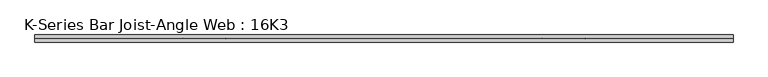
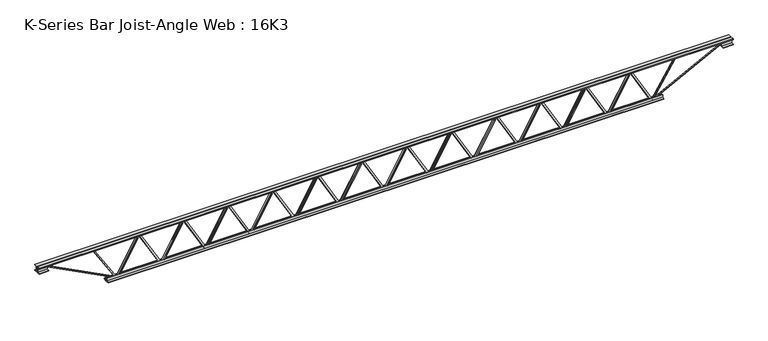
"""IFC4 building model written with IfcOpenShell, lengths in millimetres: beam geometry, K-Series Bar Joist-Angle Web : 16K3."""

from ifc_helpers import new_model, si_unit, frame, origin, place, context, project, spatial, polyline, outline, extrude, faceted_brep, source, transform, mapped, element, save


def k_series_bar_joist_angle_web_16k3_fcc0b7f4(model_context):
    return source(origin(), model_context, "Body", "SolidModel", [
        extrude(outline(polyline([(-4.7625, 4.7625), (-4.7625, 0.0), (-17.4625, 0.0), (-17.4625, 4.7625), (-4.7625, 4.7625)])), frame((2266.1208396, 0.0, -165.1), z_axis=(-0.49506641513290334, 0.0, 0.8688551344196891), x_axis=(0.0, -1.0, 0.0)), (0.0, 0.0, 1.0), 380.0403392),
        extrude(outline(polyline([(-200.025, 2297.90625), (-180.975, 2297.90625), (-180.975, 2297.0916865), (200.025, 2080.0010615), (200.025, 2061.765625), (180.975, 2061.765625), (180.975, 2068.9301885), (-200.025, 2286.0208135), (-200.025, 2297.90625)])), frame((0.0, 0.0, 0.0), z_axis=(0.0, 1.0, 0.0), x_axis=(0.0, 0.0, 1.0)), (0.0, 0.0, 1.0), 4.7625),
        faceted_brep([(1838.325, 0.0, -180.975), (1838.325, 0.0, -200.025), (1838.325, -4.7625, -200.025), (1838.325, -4.7625, -180.975), (1839.1395635, 0.0, -180.975), (2056.2301885, 0.0, 200.025), (2074.465625, 0.0, 200.025), (2074.465625, 0.0, 180.975), (2067.3010615, 0.0, 180.975), (1850.2104365, 0.0, -200.025), (1850.2104365, -4.7625, -200.025), (1870.1104104, -4.7625, -165.1), (1865.9724878, -4.7625, -162.7422462), (2054.1176962, -4.7625, 167.4577538), (2058.2556188, -4.7625, 165.1), (2067.3010615, -4.7625, 180.975), (2074.465625, -4.7625, 180.975), (2074.465625, -4.7625, 200.025), (2056.2301885, -4.7625, 200.025), (1839.1395635, -4.7625, -180.975), (2058.2556188, -17.4625, 165.1), (1870.1104104, -17.4625, -165.1), (1865.9724878, -17.4625, -162.7422462), (2054.1176962, -17.4625, 167.4577538)], [[[0, 1, 2, 3]], [[1, 0, 4, 5, 6, 7, 8, 9]], [[2, 1, 9, 10]], [[3, 2, 10, 11, 12, 13, 14, 15, 16, 17, 18, 19]], [[0, 3, 19, 4]], [[9, 8, 15, 14, 20, 21, 11, 10]], [[5, 4, 19, 18]], [[7, 6, 17, 16]], [[8, 7, 16, 15]], [[6, 5, 18, 17]], [[21, 22, 12, 11]], [[20, 14, 13, 23]], [[22, 21, 20, 23]], [[12, 22, 23, 13]]]),
        extrude(outline(polyline([(-4.7625, 4.7625), (-4.7625, 0.0), (-17.4625, 0.0), (-17.4625, 4.7625), (-4.7625, 4.7625)])), frame((1806.5395896, 0.0, -165.1), z_axis=(-0.49506641513290334, 0.0, 0.8688551344196891), x_axis=(0.0, -1.0, 0.0)), (0.0, 0.0, 1.0), 380.0403392),
        extrude(outline(polyline([(-200.025, 1838.325), (-180.975, 1838.325), (-180.975, 1837.5104365), (200.025, 1620.4198115), (200.025, 1602.184375), (180.975, 1602.184375), (180.975, 1609.3489385), (-200.025, 1826.4395635), (-200.025, 1838.325)])), frame((0.0, 0.0, 0.0), z_axis=(0.0, 1.0, 0.0), x_axis=(0.0, 0.0, 1.0)), (0.0, 0.0, 1.0), 4.7625),
        faceted_brep([(1378.74375, 0.0, -180.975), (1378.74375, 0.0, -200.025), (1378.74375, -4.7625, -200.025), (1378.74375, -4.7625, -180.975), (1379.5583135, 0.0, -180.975), (1596.6489385, 0.0, 200.025), (1614.884375, 0.0, 200.025), (1614.884375, 0.0, 180.975), (1607.7198115, 0.0, 180.975), (1390.6291865, 0.0, -200.025), (1390.6291865, -4.7625, -200.025), (1410.5291604, -4.7625, -165.1), (1406.3912378, -4.7625, -162.7422462), (1594.5364462, -4.7625, 167.4577538), (1598.6743688, -4.7625, 165.1), (1607.7198115, -4.7625, 180.975), (1614.884375, -4.7625, 180.975), (1614.884375, -4.7625, 200.025), (1596.6489385, -4.7625, 200.025), (1379.5583135, -4.7625, -180.975), (1598.6743688, -17.4625, 165.1), (1410.5291604, -17.4625, -165.1), (1406.3912378, -17.4625, -162.7422462), (1594.5364462, -17.4625, 167.4577538)], [[[0, 1, 2, 3]], [[1, 0, 4, 5, 6, 7, 8, 9]], [[2, 1, 9, 10]], [[3, 2, 10, 11, 12, 13, 14, 15, 16, 17, 18, 19]], [[0, 3, 19, 4]], [[9, 8, 15, 14, 20, 21, 11, 10]], [[5, 4, 19, 18]], [[7, 6, 17, 16]], [[8, 7, 16, 15]], [[6, 5, 18, 17]], [[21, 22, 12, 11]], [[20, 14, 13, 23]], [[22, 21, 20, 23]], [[12, 22, 23, 13]]]),
        extrude(outline(polyline([(-4.7625, 4.7625), (-4.7625, 0.0), (-17.4625, 0.0), (-17.4625, 4.7625), (-4.7625, 4.7625)])), frame((1346.9583396, 0.0, -165.1), z_axis=(-0.49506641513290334, 0.0, 0.8688551344196891), x_axis=(0.0, -1.0, 0.0)), (0.0, 0.0, 1.0), 380.0403392),
        extrude(outline(polyline([(-200.025, 1378.74375), (-180.975, 1378.74375), (-180.975, 1377.9291865), (200.025, 1160.8385615), (200.025, 1142.603125), (180.975, 1142.603125), (180.975, 1149.7676885), (-200.025, 1366.8583135), (-200.025, 1378.74375)])), frame((0.0, 0.0, 0.0), z_axis=(0.0, 1.0, 0.0), x_axis=(0.0, 0.0, 1.0)), (0.0, 0.0, 1.0), 4.7625),
        faceted_brep([(919.1625, 0.0, -180.975), (919.1625, 0.0, -200.025), (919.1625, -4.7625, -200.025), (919.1625, -4.7625, -180.975), (919.9770635, 0.0, -180.975), (1137.0676885, 0.0, 200.025), (1155.303125, 0.0, 200.025), (1155.303125, 0.0, 180.975), (1148.1385615, 0.0, 180.975), (931.0479365, 0.0, -200.025), (931.0479365, -4.7625, -200.025), (950.9479104, -4.7625, -165.1), (946.8099878, -4.7625, -162.7422462), (1134.9551962, -4.7625, 167.4577538), (1139.0931188, -4.7625, 165.1), (1148.1385615, -4.7625, 180.975), (1155.303125, -4.7625, 180.975), (1155.303125, -4.7625, 200.025), (1137.0676885, -4.7625, 200.025), (919.9770635, -4.7625, -180.975), (1139.0931188, -17.4625, 165.1), (950.9479104, -17.4625, -165.1), (946.8099878, -17.4625, -162.7422462), (1134.9551962, -17.4625, 167.4577538)], [[[0, 1, 2, 3]], [[1, 0, 4, 5, 6, 7, 8, 9]], [[2, 1, 9, 10]], [[3, 2, 10, 11, 12, 13, 14, 15, 16, 17, 18, 19]], [[0, 3, 19, 4]], [[9, 8, 15, 14, 20, 21, 11, 10]], [[5, 4, 19, 18]], [[7, 6, 17, 16]], [[8, 7, 16, 15]], [[6, 5, 18, 17]], [[21, 22, 12, 11]], [[20, 14, 13, 23]], [[22, 21, 20, 23]], [[12, 22, 23, 13]]]),
        extrude(outline(polyline([(-4.7625, 4.7625), (-4.7625, 0.0), (-17.4625, 0.0), (-17.4625, 4.7625), (-4.7625, 4.7625)])), frame((887.3770896, 0.0, -165.1), z_axis=(-0.49506641513290334, 0.0, 0.8688551344196891), x_axis=(0.0, -1.0, 0.0)), (0.0, 0.0, 1.0), 380.0403392),
        extrude(outline(polyline([(-200.025, 919.1625), (-180.975, 919.1625), (-180.975, 918.3479365), (200.025, 701.2573115), (200.025, 683.021875), (180.975, 683.021875), (180.975, 690.1864385), (-200.025, 907.2770635), (-200.025, 919.1625)])), frame((0.0, 0.0, 0.0), z_axis=(0.0, 1.0, 0.0), x_axis=(0.0, 0.0, 1.0)), (0.0, 0.0, 1.0), 4.7625),
        faceted_brep([(459.58125, 0.0, -180.975), (459.58125, 0.0, -200.025), (459.58125, -4.7625, -200.025), (459.58125, -4.7625, -180.975), (460.3958135, 0.0, -180.975), (677.4864385, 0.0, 200.025), (695.721875, 0.0, 200.025), (695.721875, 0.0, 180.975), (688.5573115, 0.0, 180.975), (471.4666865, 0.0, -200.025), (471.4666865, -4.7625, -200.025), (491.3666604, -4.7625, -165.1), (487.2287378, -4.7625, -162.7422462), (675.3739462, -4.7625, 167.4577538), (679.5118688, -4.7625, 165.1), (688.5573115, -4.7625, 180.975), (695.721875, -4.7625, 180.975), (695.721875, -4.7625, 200.025), (677.4864385, -4.7625, 200.025), (460.3958135, -4.7625, -180.975), (679.5118688, -17.4625, 165.1), (491.3666604, -17.4625, -165.1), (487.2287378, -17.4625, -162.7422462), (675.3739462, -17.4625, 167.4577538)], [[[0, 1, 2, 3]], [[1, 0, 4, 5, 6, 7, 8, 9]], [[2, 1, 9, 10]], [[3, 2, 10, 11, 12, 13, 14, 15, 16, 17, 18, 19]], [[0, 3, 19, 4]], [[9, 8, 15, 14, 20, 21, 11, 10]], [[5, 4, 19, 18]], [[7, 6, 17, 16]], [[8, 7, 16, 15]], [[6, 5, 18, 17]], [[21, 22, 12, 11]], [[20, 14, 13, 23]], [[22, 21, 20, 23]], [[12, 22, 23, 13]]]),
        extrude(outline(polyline([(-4.7625, 4.7625), (-4.7625, 0.0), (-17.4625, 0.0), (-17.4625, 4.7625), (-4.7625, 4.7625)])), frame((427.7958396, 0.0, -165.1), z_axis=(-0.49506641513290334, 0.0, 0.8688551344196891), x_axis=(0.0, -1.0, 0.0)), (0.0, 0.0, 1.0), 380.0403392),
        extrude(outline(polyline([(-200.025, 459.58125), (-180.975, 459.58125), (-180.975, 458.7666865), (200.025, 241.6760615), (200.025, 223.440625), (180.975, 223.440625), (180.975, 230.6051885), (-200.025, 447.6958135), (-200.025, 459.58125)])), frame((0.0, 0.0, 0.0), z_axis=(0.0, 1.0, 0.0), x_axis=(0.0, 0.0, 1.0)), (0.0, 0.0, 1.0), 4.7625),
        faceted_brep([(0.0, 0.0, -180.975), (0.0, 0.0, -200.025), (0.0, -4.7625, -200.025), (0.0, -4.7625, -180.975), (0.8145635, 0.0, -180.975), (217.9051885, 0.0, 200.025), (236.140625, 0.0, 200.025), (236.140625, 0.0, 180.975), (228.9760615, 0.0, 180.975), (11.8854365, 0.0, -200.025), (11.8854365, -4.7625, -200.025), (31.7854104, -4.7625, -165.1), (27.6474878, -4.7625, -162.7422462), (215.7926962, -4.7625, 167.4577538), (219.9306188, -4.7625, 165.1), (228.9760615, -4.7625, 180.975), (236.140625, -4.7625, 180.975), (236.140625, -4.7625, 200.025), (217.9051885, -4.7625, 200.025), (0.8145635, -4.7625, -180.975), (219.9306188, -17.4625, 165.1), (31.7854104, -17.4625, -165.1), (27.6474878, -17.4625, -162.7422462), (215.7926962, -17.4625, 167.4577538)], [[[0, 1, 2, 3]], [[1, 0, 4, 5, 6, 7, 8, 9]], [[2, 1, 9, 10]], [[3, 2, 10, 11, 12, 13, 14, 15, 16, 17, 18, 19]], [[0, 3, 19, 4]], [[9, 8, 15, 14, 20, 21, 11, 10]], [[5, 4, 19, 18]], [[7, 6, 17, 16]], [[8, 7, 16, 15]], [[6, 5, 18, 17]], [[21, 22, 12, 11]], [[20, 14, 13, 23]], [[22, 21, 20, 23]], [[12, 22, 23, 13]]]),
        extrude(outline(polyline([(-4.7625, 4.7625), (-4.7625, 0.0), (-17.4625, 0.0), (-17.4625, 4.7625), (-4.7625, 4.7625)])), frame((-31.7854104, 0.0, -165.1), z_axis=(-0.49506641513290334, 0.0, 0.8688551344196891), x_axis=(0.0, -1.0, 0.0)), (0.0, 0.0, 1.0), 380.0403392),
        extrude(outline(polyline([(-200.025, 0.0), (-180.975, 0.0), (-180.975, -0.8145635), (200.025, -217.9051885), (200.025, -236.140625), (180.975, -236.140625), (180.975, -228.9760615), (-200.025, -11.8854365), (-200.025, 0.0)])), frame((0.0, 0.0, 0.0), z_axis=(0.0, 1.0, 0.0), x_axis=(0.0, 0.0, 1.0)), (0.0, 0.0, 1.0), 4.7625),
        faceted_brep([(-459.58125, 0.0, -180.975), (-459.58125, 0.0, -200.025), (-459.58125, -4.7625, -200.025), (-459.58125, -4.7625, -180.975), (-458.7666865, 0.0, -180.975), (-241.6760615, 0.0, 200.025), (-223.440625, 0.0, 200.025), (-223.440625, 0.0, 180.975), (-230.6051885, 0.0, 180.975), (-447.6958135, 0.0, -200.025), (-447.6958135, -4.7625, -200.025), (-427.7958396, -4.7625, -165.1), (-431.9337622, -4.7625, -162.7422462), (-243.7885538, -4.7625, 167.4577538), (-239.6506312, -4.7625, 165.1), (-230.6051885, -4.7625, 180.975), (-223.440625, -4.7625, 180.975), (-223.440625, -4.7625, 200.025), (-241.6760615, -4.7625, 200.025), (-458.7666865, -4.7625, -180.975), (-239.6506312, -17.4625, 165.1), (-427.7958396, -17.4625, -165.1), (-431.9337622, -17.4625, -162.7422462), (-243.7885538, -17.4625, 167.4577538)], [[[0, 1, 2, 3]], [[1, 0, 4, 5, 6, 7, 8, 9]], [[2, 1, 9, 10]], [[3, 2, 10, 11, 12, 13, 14, 15, 16, 17, 18, 19]], [[0, 3, 19, 4]], [[9, 8, 15, 14, 20, 21, 11, 10]], [[5, 4, 19, 18]], [[7, 6, 17, 16]], [[8, 7, 16, 15]], [[6, 5, 18, 17]], [[21, 22, 12, 11]], [[20, 14, 13, 23]], [[22, 21, 20, 23]], [[12, 22, 23, 13]]]),
        extrude(outline(polyline([(-4.7625, 4.7625), (-4.7625, 0.0), (-17.4625, 0.0), (-17.4625, 4.7625), (-4.7625, 4.7625)])), frame((-491.3666604, 0.0, -165.1), z_axis=(-0.49506641513290334, 0.0, 0.8688551344196891), x_axis=(0.0, -1.0, 0.0)), (0.0, 0.0, 1.0), 380.0403392),
        extrude(outline(polyline([(-200.025, -459.58125), (-180.975, -459.58125), (-180.975, -460.3958135), (200.025, -677.4864385), (200.025, -695.721875), (180.975, -695.721875), (180.975, -688.5573115), (-200.025, -471.4666865), (-200.025, -459.58125)])), frame((0.0, 0.0, 0.0), z_axis=(0.0, 1.0, 0.0), x_axis=(0.0, 0.0, 1.0)), (0.0, 0.0, 1.0), 4.7625),
        faceted_brep([(-919.1625, 0.0, -180.975), (-919.1625, 0.0, -200.025), (-919.1625, -4.7625, -200.025), (-919.1625, -4.7625, -180.975), (-918.3479365, 0.0, -180.975), (-701.2573115, 0.0, 200.025), (-683.021875, 0.0, 200.025), (-683.021875, 0.0, 180.975), (-690.1864385, 0.0, 180.975), (-907.2770635, 0.0, -200.025), (-907.2770635, -4.7625, -200.025), (-887.3770896, -4.7625, -165.1), (-891.5150122, -4.7625, -162.7422462), (-703.3698038, -4.7625, 167.4577538), (-699.2318812, -4.7625, 165.1), (-690.1864385, -4.7625, 180.975), (-683.021875, -4.7625, 180.975), (-683.021875, -4.7625, 200.025), (-701.2573115, -4.7625, 200.025), (-918.3479365, -4.7625, -180.975), (-699.2318812, -17.4625, 165.1), (-887.3770896, -17.4625, -165.1), (-891.5150122, -17.4625, -162.7422462), (-703.3698038, -17.4625, 167.4577538)], [[[0, 1, 2, 3]], [[1, 0, 4, 5, 6, 7, 8, 9]], [[2, 1, 9, 10]], [[3, 2, 10, 11, 12, 13, 14, 15, 16, 17, 18, 19]], [[0, 3, 19, 4]], [[9, 8, 15, 14, 20, 21, 11, 10]], [[5, 4, 19, 18]], [[7, 6, 17, 16]], [[8, 7, 16, 15]], [[6, 5, 18, 17]], [[21, 22, 12, 11]], [[20, 14, 13, 23]], [[22, 21, 20, 23]], [[12, 22, 23, 13]]]),
        extrude(outline(polyline([(-4.7625, 4.7625), (-4.7625, 0.0), (-17.4625, 0.0), (-17.4625, 4.7625), (-4.7625, 4.7625)])), frame((-950.9479104, 0.0, -165.1), z_axis=(-0.49506641513290334, 0.0, 0.8688551344196891), x_axis=(0.0, -1.0, 0.0)), (0.0, 0.0, 1.0), 380.0403392),
        extrude(outline(polyline([(-200.025, -919.1625), (-180.975, -919.1625), (-180.975, -919.9770635), (200.025, -1137.0676885), (200.025, -1155.303125), (180.975, -1155.303125), (180.975, -1148.1385615), (-200.025, -931.0479365), (-200.025, -919.1625)])), frame((0.0, 0.0, 0.0), z_axis=(0.0, 1.0, 0.0), x_axis=(0.0, 0.0, 1.0)), (0.0, 0.0, 1.0), 4.7625),
        faceted_brep([(-1378.74375, 0.0, -180.975), (-1378.74375, 0.0, -200.025), (-1378.74375, -4.7625, -200.025), (-1378.74375, -4.7625, -180.975), (-1377.9291865, 0.0, -180.975), (-1160.8385615, 0.0, 200.025), (-1142.603125, 0.0, 200.025), (-1142.603125, 0.0, 180.975), (-1149.7676885, 0.0, 180.975), (-1366.8583135, 0.0, -200.025), (-1366.8583135, -4.7625, -200.025), (-1346.9583396, -4.7625, -165.1), (-1351.0962622, -4.7625, -162.7422462), (-1162.9510538, -4.7625, 167.4577538), (-1158.8131312, -4.7625, 165.1), (-1149.7676885, -4.7625, 180.975), (-1142.603125, -4.7625, 180.975), (-1142.603125, -4.7625, 200.025), (-1160.8385615, -4.7625, 200.025), (-1377.9291865, -4.7625, -180.975), (-1158.8131312, -17.4625, 165.1), (-1346.9583396, -17.4625, -165.1), (-1351.0962622, -17.4625, -162.7422462), (-1162.9510538, -17.4625, 167.4577538)], [[[0, 1, 2, 3]], [[1, 0, 4, 5, 6, 7, 8, 9]], [[2, 1, 9, 10]], [[3, 2, 10, 11, 12, 13, 14, 15, 16, 17, 18, 19]], [[0, 3, 19, 4]], [[9, 8, 15, 14, 20, 21, 11, 10]], [[5, 4, 19, 18]], [[7, 6, 17, 16]], [[8, 7, 16, 15]], [[6, 5, 18, 17]], [[21, 22, 12, 11]], [[20, 14, 13, 23]], [[22, 21, 20, 23]], [[12, 22, 23, 13]]]),
        extrude(outline(polyline([(-4.7625, 4.7625), (-4.7625, 0.0), (-17.4625, 0.0), (-17.4625, 4.7625), (-4.7625, 4.7625)])), frame((-1410.5291604, 0.0, -165.1), z_axis=(-0.49506641513290334, 0.0, 0.8688551344196891), x_axis=(0.0, -1.0, 0.0)), (0.0, 0.0, 1.0), 380.0403392),
        extrude(outline(polyline([(-200.025, -1378.74375), (-180.975, -1378.74375), (-180.975, -1379.5583135), (200.025, -1596.6489385), (200.025, -1614.884375), (180.975, -1614.884375), (180.975, -1607.7198115), (-200.025, -1390.6291865), (-200.025, -1378.74375)])), frame((0.0, 0.0, 0.0), z_axis=(0.0, 1.0, 0.0), x_axis=(0.0, 0.0, 1.0)), (0.0, 0.0, 1.0), 4.7625),
        faceted_brep([(-1838.325, 0.0, -180.975), (-1838.325, 0.0, -200.025), (-1838.325, -4.7625, -200.025), (-1838.325, -4.7625, -180.975), (-1837.5104365, 0.0, -180.975), (-1620.4198115, 0.0, 200.025), (-1602.184375, 0.0, 200.025), (-1602.184375, 0.0, 180.975), (-1609.3489385, 0.0, 180.975), (-1826.4395635, 0.0, -200.025), (-1826.4395635, -4.7625, -200.025), (-1806.5395896, -4.7625, -165.1), (-1810.6775122, -4.7625, -162.7422462), (-1622.5323038, -4.7625, 167.4577538), (-1618.3943812, -4.7625, 165.1), (-1609.3489385, -4.7625, 180.975), (-1602.184375, -4.7625, 180.975), (-1602.184375, -4.7625, 200.025), (-1620.4198115, -4.7625, 200.025), (-1837.5104365, -4.7625, -180.975), (-1618.3943812, -17.4625, 165.1), (-1806.5395896, -17.4625, -165.1), (-1810.6775122, -17.4625, -162.7422462), (-1622.5323038, -17.4625, 167.4577538)], [[[0, 1, 2, 3]], [[1, 0, 4, 5, 6, 7, 8, 9]], [[2, 1, 9, 10]], [[3, 2, 10, 11, 12, 13, 14, 15, 16, 17, 18, 19]], [[0, 3, 19, 4]], [[9, 8, 15, 14, 20, 21, 11, 10]], [[5, 4, 19, 18]], [[7, 6, 17, 16]], [[8, 7, 16, 15]], [[6, 5, 18, 17]], [[21, 22, 12, 11]], [[20, 14, 13, 23]], [[22, 21, 20, 23]], [[12, 22, 23, 13]]]),
        extrude(outline(polyline([(-4.7625, 4.7625), (-4.7625, 0.0), (-17.4625, 0.0), (-17.4625, 4.7625), (-4.7625, 4.7625)])), frame((-1870.1104104, 0.0, -165.1), z_axis=(-0.49506641513290334, 0.0, 0.8688551344196891), x_axis=(0.0, -1.0, 0.0)), (0.0, 0.0, 1.0), 380.0403392),
        extrude(outline(polyline([(-200.025, -1838.325), (-180.975, -1838.325), (-180.975, -1839.1395635), (200.025, -2056.2301885), (200.025, -2074.465625), (180.975, -2074.465625), (180.975, -2067.3010615), (-200.025, -1850.2104365), (-200.025, -1838.325)])), frame((0.0, 0.0, 0.0), z_axis=(0.0, 1.0, 0.0), x_axis=(0.0, 0.0, 1.0)), (0.0, 0.0, 1.0), 4.7625),
        faceted_brep([(-2297.90625, 0.0, -180.975), (-2297.90625, 0.0, -200.025), (-2297.90625, -4.7625, -200.025), (-2297.90625, -4.7625, -180.975), (-2297.0916865, 0.0, -180.975), (-2080.0010615, 0.0, 200.025), (-2061.765625, 0.0, 200.025), (-2061.765625, 0.0, 180.975), (-2068.9301885, 0.0, 180.975), (-2286.0208135, 0.0, -200.025), (-2286.0208135, -4.7625, -200.025), (-2266.1208396, -4.7625, -165.1), (-2270.2587622, -4.7625, -162.7422462), (-2082.1135538, -4.7625, 167.4577538), (-2077.9756312, -4.7625, 165.1), (-2068.9301885, -4.7625, 180.975), (-2061.765625, -4.7625, 180.975), (-2061.765625, -4.7625, 200.025), (-2080.0010615, -4.7625, 200.025), (-2297.0916865, -4.7625, -180.975), (-2077.9756312, -17.4625, 165.1), (-2266.1208396, -17.4625, -165.1), (-2270.2587622, -17.4625, -162.7422462), (-2082.1135538, -17.4625, 167.4577538)], [[[0, 1, 2, 3]], [[1, 0, 4, 5, 6, 7, 8, 9]], [[2, 1, 9, 10]], [[3, 2, 10, 11, 12, 13, 14, 15, 16, 17, 18, 19]], [[0, 3, 19, 4]], [[9, 8, 15, 14, 20, 21, 11, 10]], [[5, 4, 19, 18]], [[7, 6, 17, 16]], [[8, 7, 16, 15]], [[6, 5, 18, 17]], [[21, 22, 12, 11]], [[20, 14, 13, 23]], [[22, 21, 20, 23]], [[12, 22, 23, 13]]]),
        extrude(outline(polyline([(-4.7625, 4.7625), (-4.7625, 0.0), (-17.4625, 0.0), (-17.4625, 4.7625), (-4.7625, 4.7625)])), frame((2725.7020896, 0.0, -165.1), z_axis=(-0.49506641513290334, 0.0, 0.8688551344196891), x_axis=(0.0, -1.0, 0.0)), (0.0, 0.0, 1.0), 380.0403392),
        extrude(outline(polyline([(-200.025, 2757.4875), (-180.975, 2757.4875), (-180.975, 2756.6729365), (200.025, 2539.5823115), (200.025, 2521.346875), (180.975, 2521.346875), (180.975, 2528.5114385), (-200.025, 2745.6020635), (-200.025, 2757.4875)])), frame((0.0, 0.0, 0.0), z_axis=(0.0, 1.0, 0.0), x_axis=(0.0, 0.0, 1.0)), (0.0, 0.0, 1.0), 4.7625),
        faceted_brep([(2297.90625, 0.0, -180.975), (2297.90625, 0.0, -200.025), (2297.90625, -4.7625, -200.025), (2297.90625, -4.7625, -180.975), (2298.7208135, 0.0, -180.975), (2515.8114385, 0.0, 200.025), (2534.046875, 0.0, 200.025), (2534.046875, 0.0, 180.975), (2526.8823115, 0.0, 180.975), (2309.7916865, 0.0, -200.025), (2309.7916865, -4.7625, -200.025), (2329.6916604, -4.7625, -165.1), (2325.5537378, -4.7625, -162.7422462), (2513.6989462, -4.7625, 167.4577538), (2517.8368688, -4.7625, 165.1), (2526.8823115, -4.7625, 180.975), (2534.046875, -4.7625, 180.975), (2534.046875, -4.7625, 200.025), (2515.8114385, -4.7625, 200.025), (2298.7208135, -4.7625, -180.975), (2517.8368688, -17.4625, 165.1), (2329.6916604, -17.4625, -165.1), (2325.5537378, -17.4625, -162.7422462), (2513.6989462, -17.4625, 167.4577538)], [[[0, 1, 2, 3]], [[1, 0, 4, 5, 6, 7, 8, 9]], [[2, 1, 9, 10]], [[3, 2, 10, 11, 12, 13, 14, 15, 16, 17, 18, 19]], [[0, 3, 19, 4]], [[9, 8, 15, 14, 20, 21, 11, 10]], [[5, 4, 19, 18]], [[7, 6, 17, 16]], [[8, 7, 16, 15]], [[6, 5, 18, 17]], [[21, 22, 12, 11]], [[20, 14, 13, 23]], [[22, 21, 20, 23]], [[12, 22, 23, 13]]]),
        extrude(outline(polyline([(-4.7625, 4.7625), (-4.7625, 0.0), (-17.4625, 0.0), (-17.4625, 4.7625), (-4.7625, 4.7625)])), frame((-2329.6916604, 0.0, -165.1), z_axis=(-0.49506641513290334, 0.0, 0.8688551344196891), x_axis=(0.0, -1.0, 0.0)), (0.0, 0.0, 1.0), 380.0403392),
        extrude(outline(polyline([(-200.025, -2297.90625), (-180.975, -2297.90625), (-180.975, -2298.7208135), (200.025, -2515.8114385), (200.025, -2534.046875), (180.975, -2534.046875), (180.975, -2526.8823115), (-200.025, -2309.7916865), (-200.025, -2297.90625)])), frame((0.0, 0.0, 0.0), z_axis=(0.0, 1.0, 0.0), x_axis=(0.0, 0.0, 1.0)), (0.0, 0.0, 1.0), 4.7625),
        faceted_brep([(-2757.4875, 0.0, -180.975), (-2757.4875, 0.0, -200.025), (-2757.4875, -4.7625, -200.025), (-2757.4875, -4.7625, -180.975), (-2756.6729365, 0.0, -180.975), (-2539.5823115, 0.0, 200.025), (-2521.346875, 0.0, 200.025), (-2521.346875, 0.0, 180.975), (-2528.5114385, 0.0, 180.975), (-2745.6020635, 0.0, -200.025), (-2745.6020635, -4.7625, -200.025), (-2725.7020896, -4.7625, -165.1), (-2729.8400122, -4.7625, -162.7422462), (-2541.6948038, -4.7625, 167.4577538), (-2537.5568812, -4.7625, 165.1), (-2528.5114385, -4.7625, 180.975), (-2521.346875, -4.7625, 180.975), (-2521.346875, -4.7625, 200.025), (-2539.5823115, -4.7625, 200.025), (-2756.6729365, -4.7625, -180.975), (-2537.5568812, -17.4625, 165.1), (-2725.7020896, -17.4625, -165.1), (-2729.8400122, -17.4625, -162.7422462), (-2541.6948038, -17.4625, 167.4577538)], [[[0, 1, 2, 3]], [[1, 0, 4, 5, 6, 7, 8, 9]], [[2, 1, 9, 10]], [[3, 2, 10, 11, 12, 13, 14, 15, 16, 17, 18, 19]], [[0, 3, 19, 4]], [[9, 8, 15, 14, 20, 21, 11, 10]], [[5, 4, 19, 18]], [[7, 6, 17, 16]], [[8, 7, 16, 15]], [[6, 5, 18, 17]], [[21, 22, 12, 11]], [[20, 14, 13, 23]], [[22, 21, 20, 23]], [[12, 22, 23, 13]]]),
        extrude(outline(polyline([(4.7625, 203.2), (36.5125, 203.2), (36.5125, 196.85), (11.1125, 196.85), (11.1125, 171.45), (4.7625, 171.45), (4.7625, 203.2)])), frame((-3570.2875, 0.0, 0.0), z_axis=(1.0, 0.0, 0.0), x_axis=(0.0, 1.0, 0.0)), (0.0, 0.0, 1.0), 7140.575),
        extrude(outline(polyline([(-4.7625, 203.2), (-4.7625, 171.45), (-11.1125, 171.45), (-11.1125, 196.85), (-36.5125, 196.85), (-36.5125, 203.2), (-4.7625, 203.2)])), frame((-3570.2875, 0.0, 0.0), z_axis=(1.0, 0.0, 0.0), x_axis=(0.0, 1.0, 0.0)), (0.0, 0.0, 1.0), 7140.575),
        extrude(outline(polyline([(-4.7625, 139.7), (-36.5125, 139.7), (-36.5125, 146.05), (-11.1125, 146.05), (-11.1125, 171.45), (-4.7625, 171.45), (-4.7625, 139.7)])), frame((-3570.2875, 0.0, 0.0), z_axis=(1.0, 0.0, 0.0), x_axis=(0.0, 1.0, 0.0)), (0.0, 0.0, 1.0), 101.6),
        extrude(outline(polyline([(36.5125, 139.7), (4.7625, 139.7), (4.7625, 171.45), (11.1125, 171.45), (11.1125, 146.05), (36.5125, 146.05), (36.5125, 139.7)])), frame((-3570.2875, 0.0, 0.0), z_axis=(1.0, 0.0, 0.0), x_axis=(0.0, 1.0, 0.0)), (0.0, 0.0, 1.0), 101.6),
        extrude(outline(polyline([(4.7625, 139.7), (4.7625, 171.45), (11.1125, 171.45), (11.1125, 146.05), (36.5125, 146.05), (36.5125, 139.7), (4.7625, 139.7)])), frame((3468.6875, 0.0, 0.0), z_axis=(1.0, 0.0, 0.0), x_axis=(0.0, 1.0, 0.0)), (0.0, 0.0, 1.0), 101.6),
        extrude(outline(polyline([(-4.7625, 139.7), (-36.5125, 139.7), (-36.5125, 146.05), (-11.1125, 146.05), (-11.1125, 171.45), (-4.7625, 171.45), (-4.7625, 139.7)])), frame((3468.6875, 0.0, 0.0), z_axis=(1.0, 0.0, 0.0), x_axis=(0.0, 1.0, 0.0)), (0.0, 0.0, 1.0), 101.6),
        extrude(outline(polyline([(4.7625, -203.2), (4.7625, -171.45), (11.1125, -171.45), (11.1125, -196.85), (36.5125, -196.85), (36.5125, -203.2), (4.7625, -203.2)])), frame((-2859.0875, 0.0, 0.0), z_axis=(1.0, 0.0, 0.0), x_axis=(0.0, 1.0, 0.0)), (0.0, 0.0, 1.0), 5718.175),
        extrude(outline(polyline([(-4.7625, -203.2), (-36.5125, -203.2), (-36.5125, -196.85), (-11.1125, -196.85), (-11.1125, -171.45), (-4.7625, -171.45), (-4.7625, -203.2)])), frame((-2859.0875, 0.0, 0.0), z_axis=(1.0, 0.0, 0.0), x_axis=(0.0, 1.0, 0.0)), (0.0, 0.0, 1.0), 5718.175),
        extrude(outline(polyline([(4.7625, 4.7625), (4.7625, -4.7625), (-4.7625, -4.7625), (-4.7625, 4.7625), (4.7625, 4.7625)])), frame((2757.4875, 0.0, -196.85), z_axis=(0.5293413541950115, 0.0, 0.8484089407467318), x_axis=(0.0, -1.0, 0.0)), (0.0, 0.0, 1.0), 434.1066935),
        extrude(outline(polyline([(4.7625, 4.7625), (4.7625, -4.7625), (-4.7625, -4.7625), (-4.7625, 4.7625), (4.7625, 4.7625)])), frame((-2757.4875, 0.0, -196.85), z_axis=(-0.5293413541949826, 0.0, 0.8484089407467498), x_axis=(0.0, -1.0, 0.0)), (0.0, 0.0, 1.0), 434.1066935),
        extrude(outline(polyline([(0.0, -9.525), (0.0, 0.0), (800.9059433, 0.0), (800.9059433, -9.525), (0.0, -9.525)])), frame((3470.8775559, -4.7625, 167.2209266), z_axis=(-0.45985424766101624, 0.0, 0.8879944092775138), x_axis=(-0.8879944092775138, 0.0, -0.45985424766101624)), (0.0, 0.0, 1.0), 9.525),
        extrude(outline(polyline([(0.0, -9.525), (0.0, 0.0), (800.9059433, 0.0), (800.9059433, -9.525), (0.0, -9.525)])), frame((-3470.8775559, 4.7625, 167.2209266), z_axis=(0.4598542476610135, 0.0, 0.8879944092775153), x_axis=(0.8879944092775153, 0.0, -0.4598542476610135)), (0.0, 0.0, 1.0), 9.525),
    ])


if __name__ == "__main__":
    model = new_model("IFC4")
    model_context = context("Model", 3, world=origin())
    ifc_project = project(units=[si_unit("LENGTHUNIT", "METRE", prefix="MILLI")], contexts=[model_context])
    site = spatial("IfcSite", under=ifc_project)
    building = spatial("IfcBuilding", under=site)
    placement = place(None, origin())
    k_series_bar_joist_angle_web_16k3_shape = k_series_bar_joist_angle_web_16k3_fcc0b7f4(model_context)
    element("IfcBeam", 1, ObjectType="K-Series Bar Joist-Angle Web : 16K3", at=placement, inside=building, context=model_context, shape_type="MappedRepresentation", body=[
        mapped(k_series_bar_joist_angle_web_16k3_shape, transform((0.0, 0.0, 0.0), x_axis=(1.0, 0.0, 0.0), y_axis=(0.0, 1.0, 0.0), z_axis=(0.0, 0.0, 1.0))),
    ])
    save(model, "model.ifc")
